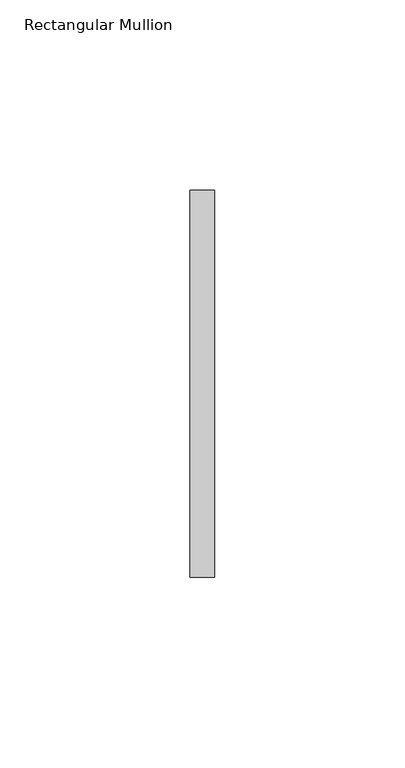
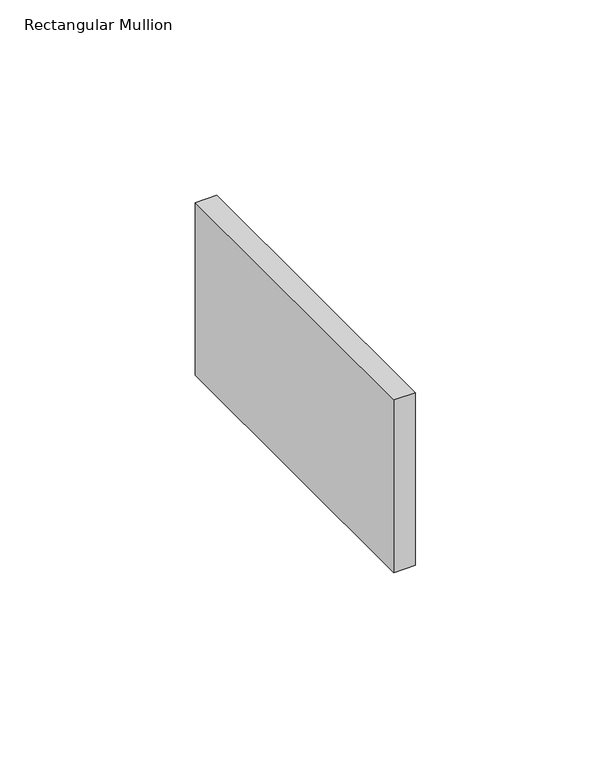
"""IFC4 building model written with IfcOpenShell, lengths in millimetres: member geometry, Rectangular Mullion."""

from ifc_helpers import new_model, si_unit, frame, origin, place, context, project, spatial, polyline, outline, extrude, source, transform, mapped, element, save


def rectangular_mullion_bfb7781d(model_context):
    return source(origin(), model_context, "Body", "SweptSolid", [
        extrude(outline(polyline([(0.0, 50.8), (0.0, -50.8), (-6.35, -50.8), (-6.35, 50.8), (0.0, 50.8)])), frame((0.0, 0.0, -53.975), z_axis=(0.0, 0.0, 1.0), x_axis=(1.0, 0.0, 0.0)), (0.0, 0.0, 1.0), 53.975),
    ])


if __name__ == "__main__":
    model = new_model("IFC4")
    model_context = context("Model", 3, world=origin())
    ifc_project = project(units=[si_unit("LENGTHUNIT", "METRE", prefix="MILLI")], contexts=[model_context])
    site = spatial("IfcSite", under=ifc_project)
    building = spatial("IfcBuilding", under=site)
    placement = place(None, origin())
    rectangular_mullion_shape = rectangular_mullion_bfb7781d(model_context)
    element("IfcMember", 1, ObjectType="Rectangular Mullion", at=placement, inside=building, context=model_context, shape_type="MappedRepresentation", body=[
        mapped(rectangular_mullion_shape, transform((0.0, 0.0, 0.0), x_axis=(1.0, 0.0, 0.0), y_axis=(0.0, 1.0, 0.0), z_axis=(0.0, 0.0, 1.0))),
    ])
    save(model, "model.ifc")
